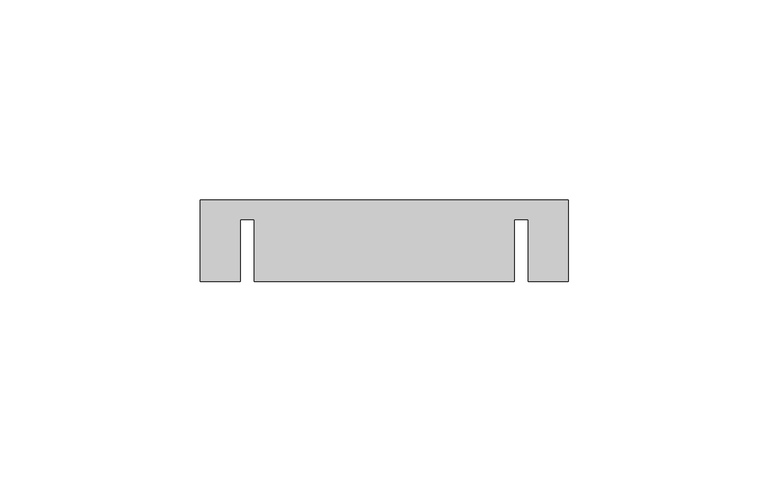
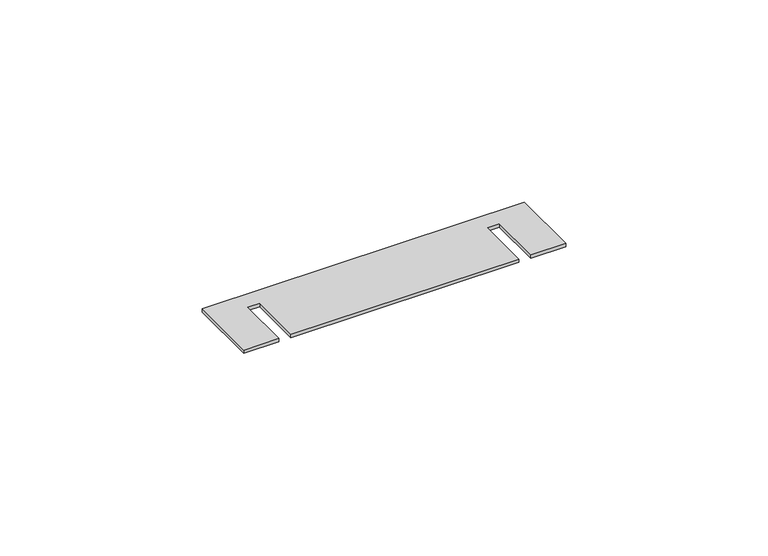
"""IFC4 building model written with IfcOpenShell, lengths in millimetres: proxy geometry."""

from ifc_helpers import new_model, si_unit, origin, origin_with_axes, place, context, project, spatial, polyline, outline, extrude, source, transform, mapped, element, save


def generic_models_2f73fe76(model_context):
    return source(origin(), model_context, "Body", "SweptSolid", [
        extrude(outline(polyline([(82.0, 5.0), (82.0, -15.5), (72.0, -15.5), (72.0, 0.0), (68.5, 0.0), (68.5, -15.5), (3.5, -15.5), (3.5, 0.0), (0.0, 0.0), (0.0, -15.5), (-10.0, -15.5), (-10.0, 5.0), (82.0, 5.0)])), origin_with_axes(), (0.0, 0.0, 1.0), 1.0),
    ])


if __name__ == "__main__":
    model = new_model("IFC4")
    model_context = context("Model", 3, world=origin())
    ifc_project = project(units=[si_unit("LENGTHUNIT", "METRE", prefix="MILLI")], contexts=[model_context])
    site = spatial("IfcSite", under=ifc_project)
    building = spatial("IfcBuilding", under=site)
    placement = place(None, origin())
    generic_models_shape = generic_models_2f73fe76(model_context)
    element("IfcBuildingElementProxy", 1, Name="Generic Models", at=placement, inside=building, context=model_context, shape_type="MappedRepresentation", body=[
        mapped(generic_models_shape, transform((0.0, 0.0, 0.0), x_axis=(1.0, 0.0, 0.0), y_axis=(0.0, 1.0, 0.0), z_axis=(0.0, 0.0, 1.0))),
    ])
    save(model, "model.ifc")
